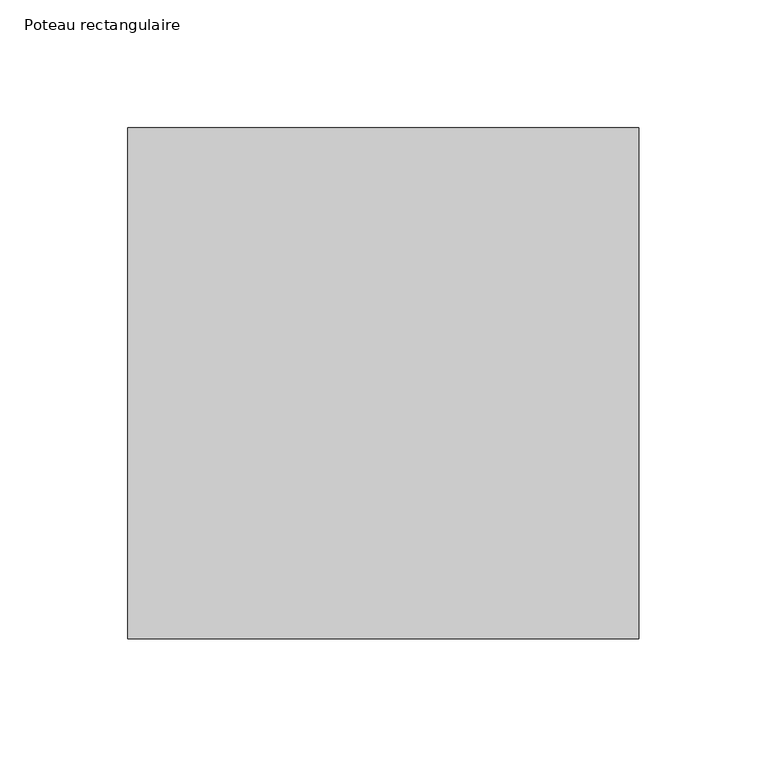
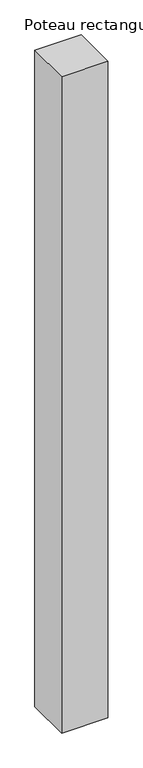
"""IFC4 building model written with IfcOpenShell, lengths in millimetres: column geometry, Poteau rectangulaire."""

from ifc_helpers import new_model, si_unit, origin, origin_with_axes, place, context, project, spatial, polyline, outline, extrude, source, transform, mapped, element, save


def poteau_rectangulaire_233c036c(model_context):
    return source(origin(), model_context, "Body", "SweptSolid", [
        extrude(outline(polyline([(100.0, 100.0), (100.0, -100.0), (-100.0, -100.0), (-100.0, 100.0), (100.0, 100.0)])), origin_with_axes(), (0.0, 0.0, 1.0), 3000.0),
    ])


if __name__ == "__main__":
    model = new_model("IFC4")
    model_context = context("Model", 3, world=origin())
    ifc_project = project(units=[si_unit("LENGTHUNIT", "METRE", prefix="MILLI")], contexts=[model_context])
    site = spatial("IfcSite", under=ifc_project)
    building = spatial("IfcBuilding", under=site)
    placement = place(None, origin())
    poteau_rectangulaire_shape = poteau_rectangulaire_233c036c(model_context)
    element("IfcColumn", 1, ObjectType="Poteau rectangulaire", at=placement, inside=building, context=model_context, shape_type="MappedRepresentation", body=[
        mapped(poteau_rectangulaire_shape, transform((0.0, 0.0, 0.0), x_axis=(1.0, 0.0, 0.0), y_axis=(0.0, 1.0, 0.0), z_axis=(0.0, 0.0, 1.0))),
    ])
    save(model, "model.ifc")
